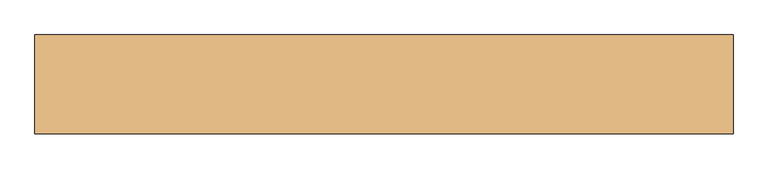
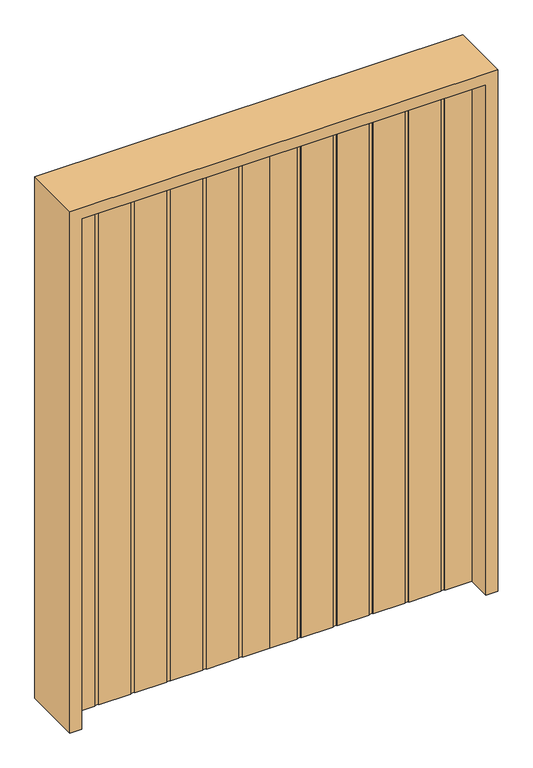
"""IFC4 building model written with IfcOpenShell, lengths in millimetres: door geometry."""

import ifcopenshell
import ifcopenshell.guid

model = None  # the IFC model being written
_history = None  # IfcOwnerHistory: only IFC2X3 demands one
_inside = {}  # id of a spatial element -> (the spatial element, [elements in it])
_under = {}  # id of a project, library or spatial element -> (it, [spatial elements below it])
_declared = {}  # id of a project -> (the project, [libraries it declares])
_typed = {}  # id of a type object -> (the type object, [elements of that type])
_made_of = {}  # id of a material, layer set ... -> (it, [elements and type objects made of it])


def new_model(schema):
    """Start an empty IFC model of exactly this schema.

    Asked for "IFC4X3", IfcOpenShell would pick the latest addendum, in which some entities
    have other attributes; the version numbers below select the first issue.
    IFC2X3 requires an IfcOwnerHistory on every rooted entity: one is made here for all.
    """
    global model, _history
    if schema == "IFC4X3":
        model = ifcopenshell.file(schema_version=(4, 3, 0, 0))
    else:
        model = ifcopenshell.file(schema=schema)
    _inside.clear()
    _under.clear()
    _declared.clear()
    _typed.clear()
    _made_of.clear()
    _history = None
    if model.schema == "IFC2X3":
        org = make("IfcOrganization", Name="unknown")
        user = make(
            "IfcPersonAndOrganization",
            ThePerson=make("IfcPerson", FamilyName="unknown"),
            TheOrganization=org,
        )
        app = make(
            "IfcApplication",
            ApplicationDeveloper=org,
            Version="unknown",
            ApplicationFullName="unknown",
            ApplicationIdentifier="unknown",
        )
        _history = make(
            "IfcOwnerHistory",
            OwningUser=user,
            OwningApplication=app,
            ChangeAction="ADDED",
            CreationDate=0,
        )
    return model


def make(cls, **values):
    """One entity of the class cls with the attributes given. An attribute that is None is left unset."""
    return model.create_entity(
        cls, **{name: value for name, value in values.items() if value is not None}
    )


def rooted(cls, **values):
    """An entity with a GlobalId (a new one), such as an element, a storey or a relation."""
    return make(cls, GlobalId=ifcopenshell.guid.new(), OwnerHistory=_history, **values)


def si_unit(unit_type, name, prefix=None):
    """IfcSIUnit, for example si_unit("LENGTHUNIT", "METRE", prefix="MILLI")."""
    return make("IfcSIUnit", UnitType=unit_type, Prefix=prefix, Name=name)


def assignment(units):
    """IfcUnitAssignment: the units of a project."""
    return None if units is None else make("IfcUnitAssignment", Units=units)


def point(xyz):
    """IfcCartesianPoint."""
    return None if xyz is None else make("IfcCartesianPoint", Coordinates=xyz)


def direction(xyz):
    """IfcDirection."""
    return None if xyz is None else make("IfcDirection", DirectionRatios=xyz)


def frame(location, z_axis=None, x_axis=None):
    """IfcAxis2Placement3D, a coordinate frame: its origin and axes. An axis left out is left unset."""
    return make(
        "IfcAxis2Placement3D",
        Location=point(location),
        Axis=direction(z_axis),
        RefDirection=direction(x_axis),
    )


def origin():
    """The frame at (0, 0, 0) with its axes left unset."""
    return frame((0.0, 0.0, 0.0))


def origin_with_axes():
    """The frame at (0, 0, 0) with the z axis (0, 0, 1) and the x axis (1, 0, 0) written out."""
    return frame((0.0, 0.0, 0.0), z_axis=(0.0, 0.0, 1.0), x_axis=(1.0, 0.0, 0.0))


def place(relative_to, where):
    """IfcLocalPlacement: puts the frame where relative to a parent placement (None: the world)."""
    return make(
        "IfcLocalPlacement", PlacementRelTo=relative_to, RelativePlacement=where
    )


def context(
    kind, dimensions, precision=None, world=None, true_north=None, identifier=None
):
    """IfcGeometricRepresentationContext, for example the 3D "Model" context."""
    return make(
        "IfcGeometricRepresentationContext",
        ContextIdentifier=identifier,
        ContextType=kind,
        CoordinateSpaceDimension=dimensions,
        Precision=precision,
        WorldCoordinateSystem=world,
        TrueNorth=true_north,
    )


def project(units=None, contexts=None):
    """IfcProject with its units and contexts."""
    return rooted(
        "IfcProject",
        Name="project",
        RepresentationContexts=contexts,
        UnitsInContext=assignment(units),
    )


def spatial(cls, under=None, at=None, **own):
    """A site, building, storey or space (cls), placed at a placement, below another one or the project."""
    s = rooted(cls, ObjectPlacement=at, **own)
    if under is not None:
        _under.setdefault(under.id(), (under, []))[1].append(s)
    return s


def polyline(points):
    """IfcPolyline through the points."""
    return make("IfcPolyline", Points=[point(p) for p in points])


def outline(outer, holes=None, kind="AREA"):
    """IfcArbitraryClosedProfileDef: a profile drawn as a closed curve; with holes, ...WithVoids."""
    if holes is None:
        return make("IfcArbitraryClosedProfileDef", ProfileType=kind, OuterCurve=outer)
    return make(
        "IfcArbitraryProfileDefWithVoids",
        ProfileType=kind,
        OuterCurve=outer,
        InnerCurves=holes,
    )


def extrude(swept, where, along, depth):
    """IfcExtrudedAreaSolid: the profile swept, set in the frame where, extruded along a direction by depth."""
    return make(
        "IfcExtrudedAreaSolid",
        SweptArea=swept,
        Position=where,
        ExtrudedDirection=direction(along),
        Depth=depth,
    )


def shape(context_of_items, identifier, shape_type, items):
    """IfcShapeRepresentation: the items that make up one representation, for example the "Body"."""
    return make(
        "IfcShapeRepresentation",
        ContextOfItems=context_of_items,
        RepresentationIdentifier=identifier,
        RepresentationType=shape_type,
        Items=items,
    )


def source(mapping_origin, context_of_items, identifier, shape_type, items):
    """IfcRepresentationMap: a shape defined once, which mapped items show again and again."""
    return make(
        "IfcRepresentationMap",
        MappingOrigin=mapping_origin,
        MappedRepresentation=shape(context_of_items, identifier, shape_type, items),
    )


def transform(
    local_origin,
    x_axis=None,
    y_axis=None,
    z_axis=None,
    scale=None,
    scale2=None,
    scale3=None,
    uniform=True,
):
    """IfcCartesianTransformationOperator3D, or its non-uniform kind. x_axis, y_axis, z_axis: its Axis1, 2, 3."""
    if uniform:
        return make(
            "IfcCartesianTransformationOperator3D",
            Axis1=direction(x_axis),
            Axis2=direction(y_axis),
            LocalOrigin=point(local_origin),
            Scale=scale,
            Axis3=direction(z_axis),
        )
    return make(
        "IfcCartesianTransformationOperator3DnonUniform",
        Axis1=direction(x_axis),
        Axis2=direction(y_axis),
        LocalOrigin=point(local_origin),
        Scale=scale,
        Axis3=direction(z_axis),
        Scale2=scale2,
        Scale3=scale3,
    )


def mapped(mapping_source, mapping_target):
    """IfcMappedItem: shows the shape of a source again, moved by a transform."""
    return make(
        "IfcMappedItem", MappingSource=mapping_source, MappingTarget=mapping_target
    )


def made_of(thing, what):
    """Note that an element or type object is made of a material, layer set ...; save() writes the relation."""
    if what is not None:
        _made_of.setdefault(what.id(), (what, []))[1].append(thing)
    return thing


def element(
    cls,
    number,
    at=None,
    inside=None,
    cuts=None,
    type_object=None,
    material=None,
    context=None,
    identifier="Body",
    shape_type=None,
    held_by="IfcProductDefinitionShape",
    body=None,
    shapes=None,
    **own,
):
    """One element of the class cls, such as IfcWall. Its Tag is "e" and its number.

    at: its placement. inside: the storey or other place that contains it. cuts: it is an
    opening in that element (IfcRelVoidsElement). A single representation is given by context,
    identifier, shape_type and body (its items); several are given by shapes. held_by: the class
    of the entity that holds the representations. save() writes the other relations.
    """
    e = rooted(cls, Tag="e%d" % number, ObjectPlacement=at, **own)
    if body is not None:
        shapes = [shape(context, identifier, shape_type, body)]
    if shapes is not None:
        e.Representation = make(held_by, Representations=shapes)
    if inside is not None:
        _inside.setdefault(inside.id(), (inside, []))[1].append(e)
    if cuts is not None:
        rooted(
            "IfcRelVoidsElement", RelatingBuildingElement=cuts, RelatedOpeningElement=e
        )
    if type_object is not None:
        _typed.setdefault(type_object.id(), (type_object, []))[1].append(e)
    return made_of(e, material)


def aggregate(whole, parts):
    """IfcRelAggregates: a whole, such as a stair, and the parts it consists of."""
    return rooted("IfcRelAggregates", RelatingObject=whole, RelatedObjects=parts)


def save(model, path):
    """Write the relations noted so far, then the file.

    IfcRelAggregates (storeys below a building ...), IfcRelContainedInSpatialStructure (elements
    in a storey), IfcRelDefinesByType, IfcRelAssociatesMaterial and IfcRelDeclares: one each for
    every whole, place, type object, material and project.
    """
    for whole, parts in _under.values():
        aggregate(whole, parts)
    for where, things in _inside.values():
        rooted(
            "IfcRelContainedInSpatialStructure",
            RelatedElements=things,
            RelatingStructure=where,
        )
    for kind, things in _typed.values():
        rooted("IfcRelDefinesByType", RelatedObjects=things, RelatingType=kind)
    for what, things in _made_of.values():
        rooted("IfcRelAssociatesMaterial", RelatedObjects=things, RelatingMaterial=what)
    for by, libraries in _declared.values():
        rooted("IfcRelDeclares", RelatingContext=by, RelatedDefinitions=libraries)
    model.write(path)


def door_9e8afee1(model_context):
    return source(origin(), model_context, "Body", "SweptSolid", [
        extrude(outline(polyline([(0.0, 22.225), (0.0, -22.225), (-102.0960938, -22.225), (-102.0960938, -19.05), (-117.3757813, -19.05), (-117.3757813, -22.225), (-237.728125, -22.225), (-237.728125, -19.05), (-253.0078125, -19.05), (-253.0078125, -22.225), (-373.3601563, -22.225), (-373.3601563, -19.05), (-388.6398438, -19.05), (-388.6398438, -22.225), (-508.9921875, -22.225), (-508.9921875, -19.05), (-524.271875, -19.05), (-524.271875, -22.225), (-644.6242188, -22.225), (-644.6242188, -19.05), (-659.9039063, -19.05), (-659.9039063, -22.225), (-762.0, -22.225), (-762.0, 22.225), (-659.9039063, 22.225), (-659.9039063, 19.05), (-644.6242188, 19.05), (-644.6242188, 22.225), (-524.271875, 22.225), (-524.271875, 19.05), (-508.9921875, 19.05), (-508.9921875, 22.225), (-388.6398438, 22.225), (-388.6398438, 19.05), (-373.3601563, 19.05), (-373.3601563, 22.225), (-253.0078125, 22.225), (-253.0078125, 19.05), (-237.728125, 19.05), (-237.728125, 22.225), (-117.3757813, 22.225), (-117.3757813, 19.05), (-102.0960938, 19.05), (-102.0960938, 22.225), (0.0, 22.225)])), origin_with_axes(), (0.0, 0.0, 1.0), 2032.0),
        extrude(outline(polyline([(0.0, 22.225), (102.0960937, 22.225), (102.0960937, 19.05), (117.3757812, 19.05), (117.3757812, 22.225), (237.728125, 22.225), (237.728125, 19.05), (253.0078125, 19.05), (253.0078125, 22.225), (373.3601562, 22.225), (373.3601562, 19.05), (388.6398437, 19.05), (388.6398437, 22.225), (508.9921875, 22.225), (508.9921875, 19.05), (524.271875, 19.05), (524.271875, 22.225), (644.6242187, 22.225), (644.6242187, 19.05), (659.9039062, 19.05), (659.9039062, 22.225), (762.0, 22.225), (762.0, -22.225), (659.9039062, -22.225), (659.9039062, -19.05), (644.6242187, -19.05), (644.6242187, -22.225), (524.271875, -22.225), (524.271875, -19.05), (508.9921875, -19.05), (508.9921875, -22.225), (388.6398437, -22.225), (388.6398437, -19.05), (373.3601562, -19.05), (373.3601562, -22.225), (253.0078125, -22.225), (253.0078125, -19.05), (237.728125, -19.05), (237.728125, -22.225), (117.3757812, -22.225), (117.3757812, -19.05), (102.0960937, -19.05), (102.0960937, -22.225), (0.0, -22.225), (0.0, 22.225)])), origin_with_axes(), (0.0, 0.0, 1.0), 2032.0),
        extrude(outline(polyline([(0.0, -806.45), (0.0, -762.0), (2032.0, -762.0), (2032.0, 762.0), (0.0, 762.0), (0.0, 806.45), (2076.45, 806.45), (2076.45, -806.45), (0.0, -806.45)])), frame((0.0, -114.3, 0.0), z_axis=(0.0, 1.0, 0.0), x_axis=(0.0, 0.0, 1.0)), (0.0, 0.0, 1.0), 228.6),
    ])


if __name__ == "__main__":
    model = new_model("IFC4")
    model_context = context("Model", 3, world=origin())
    ifc_project = project(units=[si_unit("LENGTHUNIT", "METRE", prefix="MILLI")], contexts=[model_context])
    site = spatial("IfcSite", under=ifc_project)
    building = spatial("IfcBuilding", under=site)
    placement = place(None, origin())
    door_shape = door_9e8afee1(model_context)
    element("IfcDoor", 1, at=placement, inside=building, context=model_context, shape_type="MappedRepresentation", body=[
        mapped(door_shape, transform((0.0, 0.0, 0.0), x_axis=(1.0, 0.0, 0.0), y_axis=(0.0, 1.0, 0.0), z_axis=(0.0, 0.0, 1.0))),
    ])
    save(model, "model.ifc")
